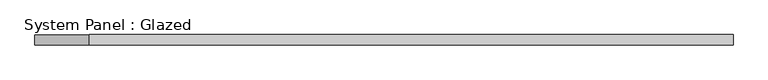
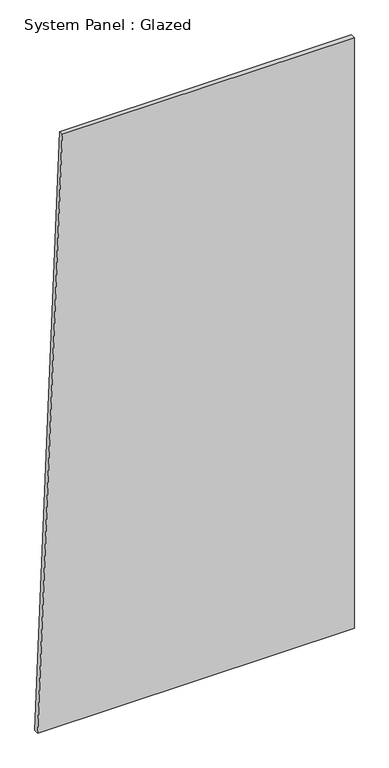
"""IFC4 building model written with IfcOpenShell, lengths in millimetres: plate geometry, System Panel : Glazed."""

from ifc_helpers import new_model, si_unit, frame, origin, place, context, project, spatial, polyline, outline, extrude, source, transform, mapped, element, save


def system_panel_glazed_e3f827f3(model_context):
    return source(origin(), model_context, "Body", "SweptSolid", [
        extrude(outline(polyline([(0.0, -845.7165202), (0.0, 845.7165202), (3331.8378669, 845.7165202), (3331.8378669, -714.0507654), (0.0, -845.7165202)])), frame((0.0, -49.5, 0.0), z_axis=(0.0, 1.0, 0.0), x_axis=(0.0, 0.0, 1.0)), (0.0, 0.0, 1.0), 25.0),
    ])


if __name__ == "__main__":
    model = new_model("IFC4")
    model_context = context("Model", 3, world=origin())
    ifc_project = project(units=[si_unit("LENGTHUNIT", "METRE", prefix="MILLI")], contexts=[model_context])
    site = spatial("IfcSite", under=ifc_project)
    building = spatial("IfcBuilding", under=site)
    placement = place(None, origin())
    system_panel_glazed_shape = system_panel_glazed_e3f827f3(model_context)
    element("IfcPlate", 1, ObjectType="System Panel : Glazed", at=placement, inside=building, context=model_context, shape_type="MappedRepresentation", body=[
        mapped(system_panel_glazed_shape, transform((0.0, 0.0, 0.0), x_axis=(1.0, 0.0, 0.0), y_axis=(0.0, 1.0, 0.0), z_axis=(0.0, 0.0, 1.0))),
    ])
    save(model, "model.ifc")
